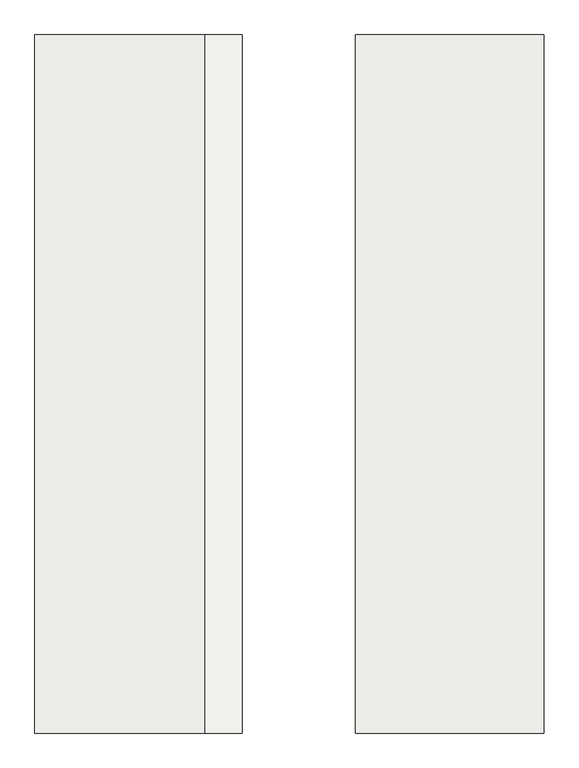
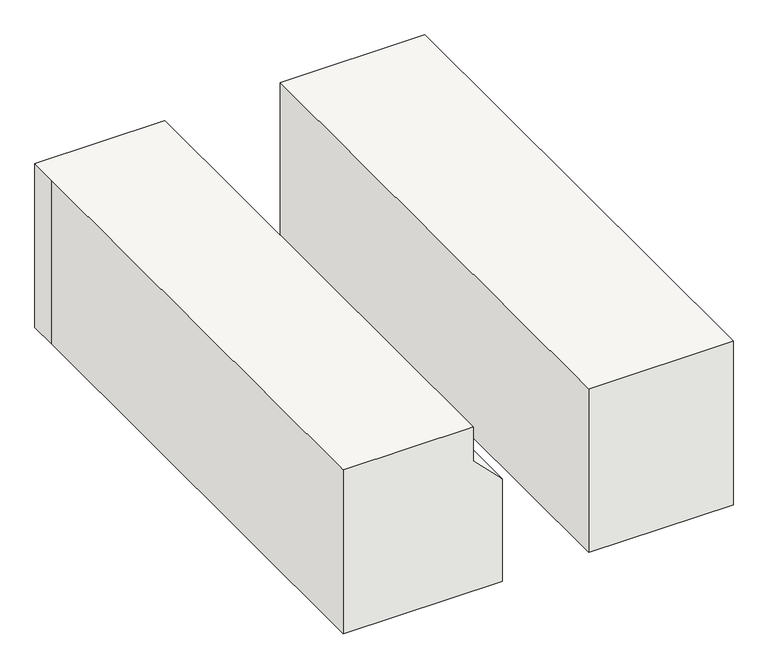
"""IFC4 building model written with IfcOpenShell, lengths in millimetres: slab geometry."""

import ifcopenshell
import ifcopenshell.guid

model = None  # the IFC model being written
_history = None  # IfcOwnerHistory: only IFC2X3 demands one
_inside = {}  # id of a spatial element -> (the spatial element, [elements in it])
_under = {}  # id of a project, library or spatial element -> (it, [spatial elements below it])
_declared = {}  # id of a project -> (the project, [libraries it declares])
_typed = {}  # id of a type object -> (the type object, [elements of that type])
_made_of = {}  # id of a material, layer set ... -> (it, [elements and type objects made of it])


def new_model(schema):
    """Start an empty IFC model of exactly this schema.

    Asked for "IFC4X3", IfcOpenShell would pick the latest addendum, in which some entities
    have other attributes; the version numbers below select the first issue.
    IFC2X3 requires an IfcOwnerHistory on every rooted entity: one is made here for all.
    """
    global model, _history
    if schema == "IFC4X3":
        model = ifcopenshell.file(schema_version=(4, 3, 0, 0))
    else:
        model = ifcopenshell.file(schema=schema)
    _inside.clear()
    _under.clear()
    _declared.clear()
    _typed.clear()
    _made_of.clear()
    _history = None
    if model.schema == "IFC2X3":
        org = make("IfcOrganization", Name="unknown")
        user = make(
            "IfcPersonAndOrganization",
            ThePerson=make("IfcPerson", FamilyName="unknown"),
            TheOrganization=org,
        )
        app = make(
            "IfcApplication",
            ApplicationDeveloper=org,
            Version="unknown",
            ApplicationFullName="unknown",
            ApplicationIdentifier="unknown",
        )
        _history = make(
            "IfcOwnerHistory",
            OwningUser=user,
            OwningApplication=app,
            ChangeAction="ADDED",
            CreationDate=0,
        )
    return model


def make(cls, **values):
    """One entity of the class cls with the attributes given. An attribute that is None is left unset."""
    return model.create_entity(
        cls, **{name: value for name, value in values.items() if value is not None}
    )


def rooted(cls, **values):
    """An entity with a GlobalId (a new one), such as an element, a storey or a relation."""
    return make(cls, GlobalId=ifcopenshell.guid.new(), OwnerHistory=_history, **values)


def si_unit(unit_type, name, prefix=None):
    """IfcSIUnit, for example si_unit("LENGTHUNIT", "METRE", prefix="MILLI")."""
    return make("IfcSIUnit", UnitType=unit_type, Prefix=prefix, Name=name)


def assignment(units):
    """IfcUnitAssignment: the units of a project."""
    return None if units is None else make("IfcUnitAssignment", Units=units)


def point(xyz):
    """IfcCartesianPoint."""
    return None if xyz is None else make("IfcCartesianPoint", Coordinates=xyz)


def direction(xyz):
    """IfcDirection."""
    return None if xyz is None else make("IfcDirection", DirectionRatios=xyz)


def frame(location, z_axis=None, x_axis=None):
    """IfcAxis2Placement3D, a coordinate frame: its origin and axes. An axis left out is left unset."""
    return make(
        "IfcAxis2Placement3D",
        Location=point(location),
        Axis=direction(z_axis),
        RefDirection=direction(x_axis),
    )


def origin():
    """The frame at (0, 0, 0) with its axes left unset."""
    return frame((0.0, 0.0, 0.0))


def place(relative_to, where):
    """IfcLocalPlacement: puts the frame where relative to a parent placement (None: the world)."""
    return make(
        "IfcLocalPlacement", PlacementRelTo=relative_to, RelativePlacement=where
    )


def context(
    kind, dimensions, precision=None, world=None, true_north=None, identifier=None
):
    """IfcGeometricRepresentationContext, for example the 3D "Model" context."""
    return make(
        "IfcGeometricRepresentationContext",
        ContextIdentifier=identifier,
        ContextType=kind,
        CoordinateSpaceDimension=dimensions,
        Precision=precision,
        WorldCoordinateSystem=world,
        TrueNorth=true_north,
    )


def project(units=None, contexts=None):
    """IfcProject with its units and contexts."""
    return rooted(
        "IfcProject",
        Name="project",
        RepresentationContexts=contexts,
        UnitsInContext=assignment(units),
    )


def spatial(cls, under=None, at=None, **own):
    """A site, building, storey or space (cls), placed at a placement, below another one or the project."""
    s = rooted(cls, ObjectPlacement=at, **own)
    if under is not None:
        _under.setdefault(under.id(), (under, []))[1].append(s)
    return s


def faces_of(points, faces, orient=None, outer=None):
    """IfcFace entities. A face is a list of loops; a loop is a list of indices into points, from 0.

    orient and outer hold one flag for each loop. By default every Orientation is true, the
    first loop of a face is its IfcFaceOuterBound and the others are IfcFaceBound.
    """
    made = []
    for i, loops in enumerate(faces):
        bounds = []
        for j, loop in enumerate(loops):
            is_outer = j == 0 if outer is None else outer[i][j]
            bounds.append(
                make(
                    "IfcFaceOuterBound" if is_outer else "IfcFaceBound",
                    Bound=make("IfcPolyLoop", Polygon=[points[k] for k in loop]),
                    Orientation=True if orient is None else orient[i][j],
                )
            )
        made.append(make("IfcFace", Bounds=bounds))
    return made


def faceted_brep(points, faces, orient=None, outer=None, voids=None):
    """IfcFacetedBrep: a solid bounded by flat faces; with voids (closed shells), ...WithVoids."""
    shared = [point(p) for p in points]
    hull = make("IfcClosedShell", CfsFaces=faces_of(shared, faces, orient, outer))
    if voids is None:
        return make("IfcFacetedBrep", Outer=hull)
    return make(
        "IfcFacetedBrepWithVoids",
        Outer=hull,
        Voids=[
            make(cls, CfsFaces=faces_of(shared, fs, o, b)) for cls, fs, o, b in voids
        ],
    )


def shape(context_of_items, identifier, shape_type, items):
    """IfcShapeRepresentation: the items that make up one representation, for example the "Body"."""
    return make(
        "IfcShapeRepresentation",
        ContextOfItems=context_of_items,
        RepresentationIdentifier=identifier,
        RepresentationType=shape_type,
        Items=items,
    )


def source(mapping_origin, context_of_items, identifier, shape_type, items):
    """IfcRepresentationMap: a shape defined once, which mapped items show again and again."""
    return make(
        "IfcRepresentationMap",
        MappingOrigin=mapping_origin,
        MappedRepresentation=shape(context_of_items, identifier, shape_type, items),
    )


def transform(
    local_origin,
    x_axis=None,
    y_axis=None,
    z_axis=None,
    scale=None,
    scale2=None,
    scale3=None,
    uniform=True,
):
    """IfcCartesianTransformationOperator3D, or its non-uniform kind. x_axis, y_axis, z_axis: its Axis1, 2, 3."""
    if uniform:
        return make(
            "IfcCartesianTransformationOperator3D",
            Axis1=direction(x_axis),
            Axis2=direction(y_axis),
            LocalOrigin=point(local_origin),
            Scale=scale,
            Axis3=direction(z_axis),
        )
    return make(
        "IfcCartesianTransformationOperator3DnonUniform",
        Axis1=direction(x_axis),
        Axis2=direction(y_axis),
        LocalOrigin=point(local_origin),
        Scale=scale,
        Axis3=direction(z_axis),
        Scale2=scale2,
        Scale3=scale3,
    )


def mapped(mapping_source, mapping_target):
    """IfcMappedItem: shows the shape of a source again, moved by a transform."""
    return make(
        "IfcMappedItem", MappingSource=mapping_source, MappingTarget=mapping_target
    )


def made_of(thing, what):
    """Note that an element or type object is made of a material, layer set ...; save() writes the relation."""
    if what is not None:
        _made_of.setdefault(what.id(), (what, []))[1].append(thing)
    return thing


def element(
    cls,
    number,
    at=None,
    inside=None,
    cuts=None,
    type_object=None,
    material=None,
    context=None,
    identifier="Body",
    shape_type=None,
    held_by="IfcProductDefinitionShape",
    body=None,
    shapes=None,
    **own,
):
    """One element of the class cls, such as IfcWall. Its Tag is "e" and its number.

    at: its placement. inside: the storey or other place that contains it. cuts: it is an
    opening in that element (IfcRelVoidsElement). A single representation is given by context,
    identifier, shape_type and body (its items); several are given by shapes. held_by: the class
    of the entity that holds the representations. save() writes the other relations.
    """
    e = rooted(cls, Tag="e%d" % number, ObjectPlacement=at, **own)
    if body is not None:
        shapes = [shape(context, identifier, shape_type, body)]
    if shapes is not None:
        e.Representation = make(held_by, Representations=shapes)
    if inside is not None:
        _inside.setdefault(inside.id(), (inside, []))[1].append(e)
    if cuts is not None:
        rooted(
            "IfcRelVoidsElement", RelatingBuildingElement=cuts, RelatedOpeningElement=e
        )
    if type_object is not None:
        _typed.setdefault(type_object.id(), (type_object, []))[1].append(e)
    return made_of(e, material)


def aggregate(whole, parts):
    """IfcRelAggregates: a whole, such as a stair, and the parts it consists of."""
    return rooted("IfcRelAggregates", RelatingObject=whole, RelatedObjects=parts)


def save(model, path):
    """Write the relations noted so far, then the file.

    IfcRelAggregates (storeys below a building ...), IfcRelContainedInSpatialStructure (elements
    in a storey), IfcRelDefinesByType, IfcRelAssociatesMaterial and IfcRelDeclares: one each for
    every whole, place, type object, material and project.
    """
    for whole, parts in _under.values():
        aggregate(whole, parts)
    for where, things in _inside.values():
        rooted(
            "IfcRelContainedInSpatialStructure",
            RelatedElements=things,
            RelatingStructure=where,
        )
    for kind, things in _typed.values():
        rooted("IfcRelDefinesByType", RelatedObjects=things, RelatingType=kind)
    for what, things in _made_of.values():
        rooted("IfcRelAssociatesMaterial", RelatedObjects=things, RelatingMaterial=what)
    for by, libraries in _declared.values():
        rooted("IfcRelDeclares", RelatingContext=by, RelatedDefinitions=libraries)
    model.write(path)


def slab_1f5356d2(model_context):
    return source(origin(), model_context, "Body", "Brep", [
        faceted_brep([(-3198.9198603, -6186.2498715, 0.0), (-3198.9198603, -7964.4871349, 0.0), (-2741.704771, -7964.4871349, 0.0), (-2741.704771, -6084.8871349, 0.0), (-3198.9198603, -6084.8871349, 0.0), (-3198.9198603, -6186.2498715, -609.6), (-3198.9198603, -6084.8871349, -609.6), (-2640.104771, -6084.8871349, -609.6), (-2640.104771, -7964.4871349, -609.6), (-3198.9198603, -7964.4871349, -609.6), (-2640.104771, -7964.4871349, -228.6), (-2741.704771, -7964.4871349, -127.0), (-2741.704771, -6084.8871349, -127.0), (-2640.104771, -6084.8871349, -228.6)], [[[0, 1, 2, 3, 4]], [[5, 6, 7, 8, 9]], [[1, 0, 5, 9]], [[1, 9, 8, 10, 11, 2]], [[0, 4, 6, 5]], [[11, 12, 3, 2]], [[12, 11, 10, 13]], [[13, 10, 8, 7]], [[6, 4, 3, 12, 13, 7]]]),
        faceted_brep([(-1827.3198603, -6084.8871349, 0.0), (-1827.3198603, -7964.4871349, 0.0), (-1827.3198603, -7964.4871349, -609.6), (-1827.3198603, -6084.8871349, -609.6), (-2335.304771, -6084.8871349, -609.6), (-2335.304771, -6084.8871349, 0.0), (-2335.304771, -7964.4871349, 0.0), (-2335.304771, -7964.4871349, -609.6)], [[[0, 1, 2, 3]], [[0, 3, 4, 5]], [[6, 5, 4, 7]], [[1, 0, 5, 6]], [[3, 2, 7, 4]], [[2, 1, 6, 7]]]),
    ])


if __name__ == "__main__":
    model = new_model("IFC4")
    model_context = context("Model", 3, world=origin())
    ifc_project = project(units=[si_unit("LENGTHUNIT", "METRE", prefix="MILLI")], contexts=[model_context])
    site = spatial("IfcSite", under=ifc_project)
    building = spatial("IfcBuilding", under=site)
    placement = place(None, origin())
    slab_shape = slab_1f5356d2(model_context)
    element("IfcSlab", 1, at=placement, inside=building, context=model_context, shape_type="MappedRepresentation", body=[
        mapped(slab_shape, transform((0.0, 0.0, 0.0), x_axis=(1.0, 0.0, 0.0), y_axis=(0.0, 1.0, 0.0), z_axis=(0.0, 0.0, 1.0))),
    ])
    save(model, "model.ifc")
